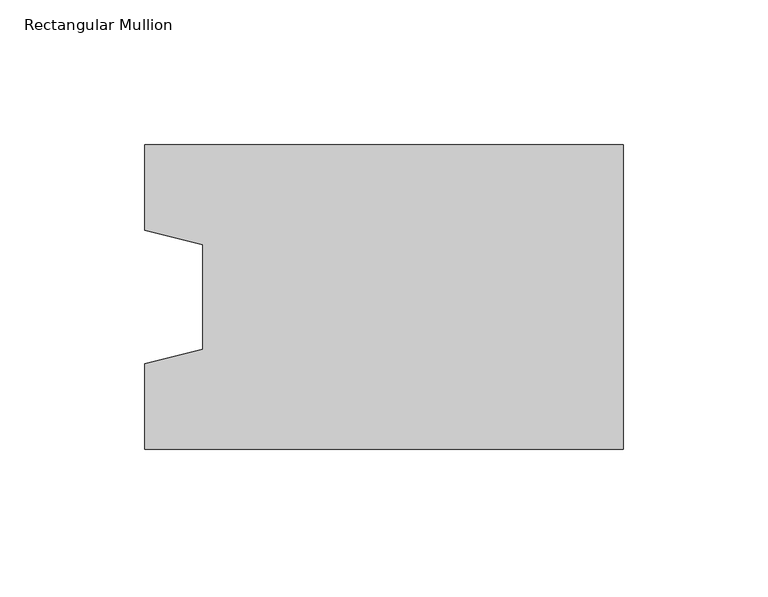
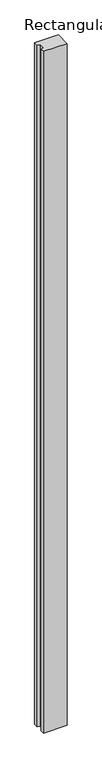
"""IFC4 building model written with IfcOpenShell, lengths in millimetres: column geometry, Rectangular Mullion."""

from ifc_helpers import new_model, si_unit, frame, origin, place, context, project, spatial, polyline, outline, extrude, source, transform, mapped, element, save


def rectangular_mullion_3dab6408(model_context):
    return source(origin(), model_context, "Body", "SweptSolid", [
        extrude(outline(polyline([(-165.0, -52.5), (-165.0, -23.0), (-145.0, -18.0), (-145.0, 18.0), (-165.0, 23.0), (-165.0, 52.5), (0.0, 52.5), (0.0, -52.5), (-165.0, -52.5)])), frame((0.0, 0.0, -5000.0), z_axis=(0.0, 0.0, 1.0), x_axis=(1.0, 0.0, 0.0)), (0.0, 0.0, 1.0), 5000.0),
    ])


if __name__ == "__main__":
    model = new_model("IFC4")
    model_context = context("Model", 3, world=origin())
    ifc_project = project(units=[si_unit("LENGTHUNIT", "METRE", prefix="MILLI")], contexts=[model_context])
    site = spatial("IfcSite", under=ifc_project)
    building = spatial("IfcBuilding", under=site)
    placement = place(None, origin())
    rectangular_mullion_shape = rectangular_mullion_3dab6408(model_context)
    element("IfcColumn", 1, ObjectType="Rectangular Mullion", at=placement, inside=building, context=model_context, shape_type="MappedRepresentation", body=[
        mapped(rectangular_mullion_shape, transform((0.0, 0.0, 0.0), x_axis=(1.0, 0.0, 0.0), y_axis=(0.0, 1.0, 0.0), z_axis=(0.0, 0.0, 1.0))),
    ])
    save(model, "model.ifc")
